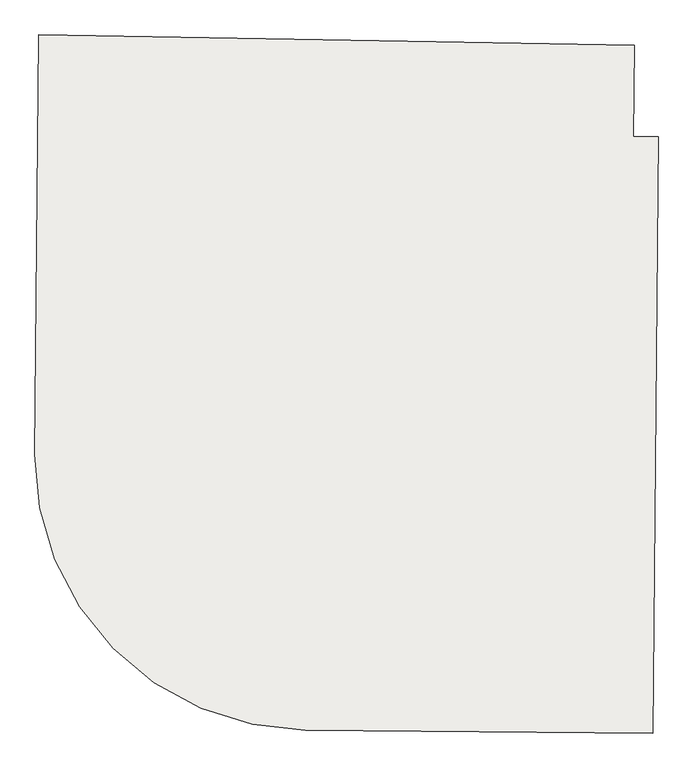
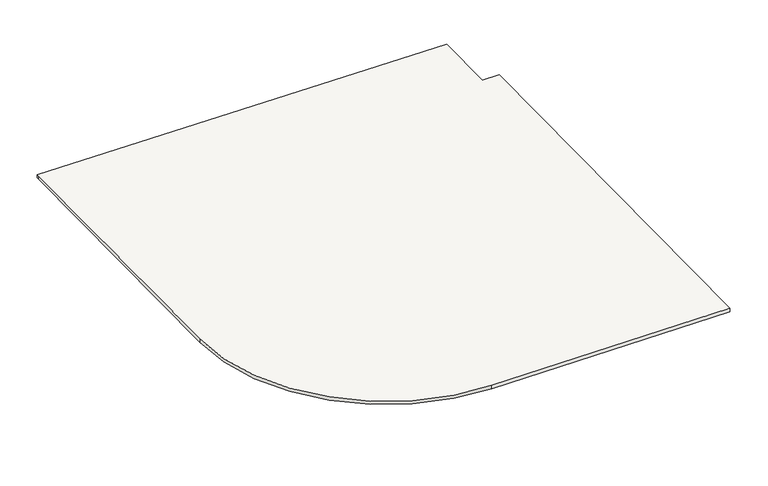
"""IFC4 building model written with IfcOpenShell, lengths in millimetres: slab geometry."""

from ifc_helpers import new_model, si_unit, point, frame, frame_2d, origin, place, context, project, spatial, polyline, circle_curve, trimmed, segment, composite_curve, outline, extrude, source, transform, mapped, element, save


def slab_4db11475(model_context):
    return source(origin(), model_context, "Body", "SweptSolid", [
        extrude(outline(composite_curve([segment(polyline([(-140511.0513863, 80788.8301385), (-141910.4667475, 80801.0426513)]), True, "CONTINUOUS"), segment(trimmed(circle_curve(frame_2d((-141900.8675584, 81901.0007667)), 1100.0), [point((-141910.4667475, 80801.0426513))], [point((-143000.8256738, 81910.5999558))], False, "CARTESIAN"), True, "CONTINUOUS"), segment(polyline([(-143000.8256738, 81910.5999558), (-142986.1785984, 83588.9885565), (-142985.9958361, 83599.4590035), (-140586.3613677, 83557.5732281), (-140589.5725623, 83189.6067705), (-140490.1077011, 83188.7387538), (-140511.0513863, 80788.8301385)]), True, "CONTINUOUS")], self_intersect=False)), frame((0.0, 0.0, -743.1666667), z_axis=(0.0, 0.0, 1.0), x_axis=(1.0, 0.0, 0.0)), (0.0, 0.0, 1.0), 20.0),
    ])


if __name__ == "__main__":
    model = new_model("IFC4")
    model_context = context("Model", 3, world=origin())
    ifc_project = project(units=[si_unit("LENGTHUNIT", "METRE", prefix="MILLI")], contexts=[model_context])
    site = spatial("IfcSite", under=ifc_project)
    building = spatial("IfcBuilding", under=site)
    placement = place(None, origin())
    slab_shape = slab_4db11475(model_context)
    element("IfcSlab", 1, at=placement, inside=building, context=model_context, shape_type="MappedRepresentation", body=[
        mapped(slab_shape, transform((0.0, 0.0, 0.0), x_axis=(1.0, 0.0, 0.0), y_axis=(0.0, 1.0, 0.0), z_axis=(0.0, 0.0, 1.0))),
    ])
    save(model, "model.ifc")
